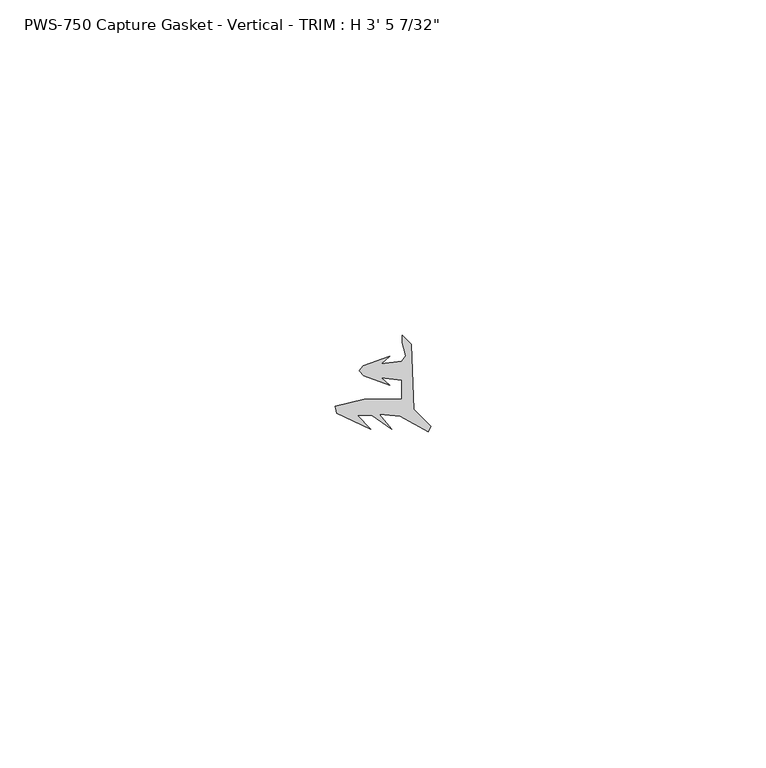
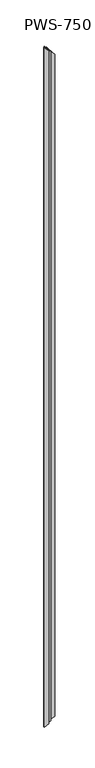
"""IFC4 building model written with IfcOpenShell, lengths in millimetres: proxy geometry."""

from ifc_helpers import new_model, si_unit, origin, place, context, project, spatial, faceted_brep, source, transform, mapped, element, save


def proxy_073cd188(model_context):
    return source(origin(), model_context, "Body", "Brep", [
        faceted_brep([(10.5180104, -3.1126161, 1036.4382396), (10.0363127, -1.1075685, 1036.9199373), (10.0363127, -1.1075685, 10.0363127), (10.5180104, -3.1126161, 10.5180104), (10.0363127, 0.0, 1036.9199373), (10.0363127, 0.0, 10.0363127), (11.3945114, -1.3581987, 1035.5617386), (11.3945114, -1.3581987, 11.3945114), (11.7400908, -11.0876857, 1035.2161592), (11.7400908, -11.0876857, 11.7400908), (14.2921683, -13.6397632, 1032.6640817), (14.2921683, -13.6397632, 14.2921683), (13.9270181, -14.4184849, 1033.0292319), (13.9270181, -14.4184849, 13.9270181), (9.6912611, -12.0846322, 1037.2649889), (9.6912611, -12.0846322, 9.6912611), (6.5862777, -11.7844518, 1040.3699723), (6.5862777, -11.7844518, 6.5862777), (8.4293132, -14.0291241, 1038.5269368), (8.4293132, -14.0291241, 8.4293132), (5.4593479, -11.9730826, 1041.4969021), (5.4593479, -11.9730826, 5.4593479), (3.2925728, -11.9730826, 1043.6636772), (3.2925728, -11.9730826, 3.2925728), (5.3486143, -14.0291241, 1041.6076357), (5.3486143, -14.0291241, 5.3486143), (0.2465562, -11.6592287, 1046.7096938), (0.2465562, -11.6592287, 0.2465562), (0.0, -10.6566114, 0.0), (0.0, -10.6566114, 1046.95625), (4.3825047, -9.5788982, 1042.5737453), (4.3825047, -9.5788982, 4.3825047), (9.9694015, -9.5788982, 1036.9868485), (9.9694015, -9.5788982, 9.9694015), (9.9694015, -6.7342387, 1036.9868485), (9.9694015, -6.7342387, 9.9694015), (6.8541528, -6.3641713, 1040.1020972), (6.8541528, -6.3641713, 6.8541528), (8.1534683, -7.4537739, 1038.8027817), (8.1534683, -7.4537739, 8.1534683), (4.2455601, -6.061435, 1042.7106899), (4.2455601, -6.061435, 4.2455601), (3.6194015, -5.3411219, 1043.3368485), (3.6194015, -5.3411219, 3.6194015), (4.2087587, -4.5858484, 1042.7474913), (4.2087587, -4.5858484, 4.2087587), (8.1534683, -3.1803976, 1038.8027817), (8.1534683, -3.1803976, 8.1534683), (6.8541528, -4.2700002, 1040.1020972), (6.8541528, -4.2700002, 6.8541528), (9.9694015, -3.8999328, 1036.9868485), (9.9694015, -3.8999328, 9.9694015)], [[[0, 1, 2, 3]], [[1, 4, 5, 2]], [[4, 6, 7, 5]], [[6, 8, 9, 7]], [[8, 10, 11, 9]], [[10, 12, 13, 11]], [[12, 14, 15, 13]], [[14, 16, 17, 15]], [[16, 18, 19, 17]], [[18, 20, 21, 19]], [[20, 22, 23, 21]], [[22, 24, 25, 23]], [[24, 26, 27, 25]], [[28, 27, 26, 29]], [[29, 30, 31, 28]], [[30, 32, 33, 31]], [[32, 34, 35, 33]], [[34, 36, 37, 35]], [[36, 38, 39, 37]], [[38, 40, 41, 39]], [[40, 42, 43, 41]], [[42, 44, 45, 43]], [[44, 46, 47, 45]], [[46, 48, 49, 47]], [[48, 50, 51, 49]], [[3, 51, 50, 0]], [[2, 5, 7, 9, 11, 13, 15, 17, 19, 21, 23, 25, 27, 28, 31, 33, 35, 37, 39, 41, 43, 45, 47, 49, 51, 3]], [[0, 50, 48, 46, 44, 42, 40, 38, 36, 34, 32, 30, 29, 26, 24, 22, 20, 18, 16, 14, 12, 10, 8, 6, 4, 1]]]),
    ])


if __name__ == "__main__":
    model = new_model("IFC4")
    model_context = context("Model", 3, world=origin())
    ifc_project = project(units=[si_unit("LENGTHUNIT", "METRE", prefix="MILLI")], contexts=[model_context])
    site = spatial("IfcSite", under=ifc_project)
    building = spatial("IfcBuilding", under=site)
    placement = place(None, origin())
    proxy_shape = proxy_073cd188(model_context)
    element("IfcBuildingElementProxy", 1, Name="PWS-750 Capture Gasket - Vertical - TRIM : H 3' 5 7/32\"", ObjectType="PWS-750 Capture Gasket - Vertical - TRIM : H 3' 5 7/32\"", at=placement, inside=building, context=model_context, shape_type="MappedRepresentation", body=[
        mapped(proxy_shape, transform((0.0, 0.0, 0.0), x_axis=(1.0, 0.0, 0.0), y_axis=(0.0, 1.0, 0.0), z_axis=(0.0, 0.0, 1.0))),
    ])
    save(model, "model.ifc")
